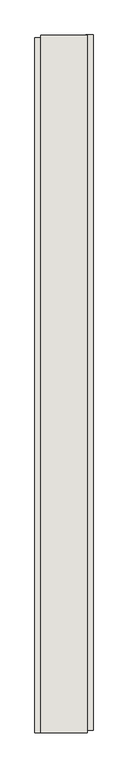
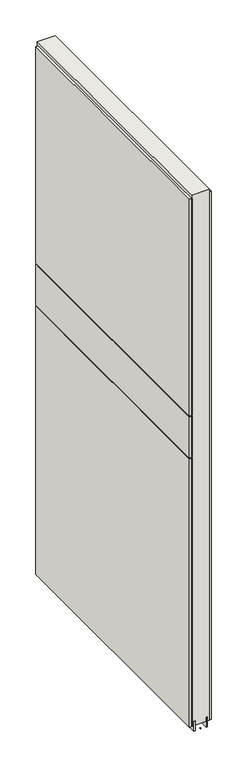
"""IFC4 building model written with IfcOpenShell, lengths in millimetres: wall geometry."""

from ifc_helpers import new_model, si_unit, frame, origin, place, context, project, spatial, polyline, outline, extrude, source, transform, mapped, element, save


def wall_2195c82f(model_context):
    return source(origin(), model_context, "Body", "SweptSolid", [
        extrude(outline(polyline([(54639.882211, -55781.7684718), (54639.882211, -55784.3084718), (54637.342211, -55784.3084718), (54637.342211, -55781.7684718), (54639.882211, -55781.7684718)])), frame((0.0, 0.0, 4419.6), z_axis=(0.0, 0.0, 1.0), x_axis=(1.0, 0.0, 0.0)), (0.0, 0.0, 1.0), 2.54),
        extrude(outline(polyline([(54587.812211, -55784.77159), (54587.812211, -54569.571582), (54600.512211, -54569.571582), (54600.512211, -55784.77159), (54587.812211, -55784.77159)])), frame((0.0, 0.0, 5945.599869), z_axis=(0.0, 0.0, 1.0), x_axis=(1.0, 0.0, 0.0)), (0.0, 0.0, 1.0), 1044.449905),
        extrude(outline(polyline([(54587.812211, -55784.77159), (54587.812211, -54569.571582), (54600.512211, -54569.571582), (54600.512211, -55784.77159), (54587.812211, -55784.77159)])), frame((0.0, 0.0, 5742.3999706), z_axis=(0.0, 0.0, 1.0), x_axis=(1.0, 0.0, 0.0)), (0.0, 0.0, 1.0), 199.2000512),
        extrude(outline(polyline([(54587.812211, -55784.77159), (54587.812211, -54569.571582), (54600.512211, -54569.571582), (54600.512211, -55784.77159), (54587.812211, -55784.77159)])), frame((0.0, 0.0, 4445.0), z_axis=(0.0, 0.0, 1.0), x_axis=(1.0, 0.0, 0.0)), (0.0, 0.0, 1.0), 1293.400004),
        extrude(outline(polyline([(54689.412211, -54564.6478428), (54689.412211, -55779.8478508), (54676.712211, -55779.8478508), (54676.712211, -54564.6478428), (54689.412211, -54564.6478428)])), frame((0.0, 0.0, 4445.0), z_axis=(0.0, 0.0, 1.0), x_axis=(1.0, 0.0, 0.0)), (0.0, 0.0, 1.0), 2545.0498756),
        extrude(outline(polyline([(54613.5284664, -54565.115914), (54613.5284664, -55784.315914), (54608.449711, -55784.315914), (54608.449711, -54565.115914), (54613.5284664, -54565.115914)])), frame((0.0, 0.0, 4418.6602), z_axis=(0.0, 0.0, 1.0), x_axis=(1.0, 0.0, 0.0)), (0.0, 0.0, 1.0), 47.625),
        extrude(outline(polyline([(54613.5284664, -54565.115914), (54613.5284664, -55784.315914), (54608.449711, -55784.315914), (54608.449711, -54565.115914), (54613.5284664, -54565.115914)])), frame((0.0, 0.0, 4418.6602), z_axis=(0.0, 0.0, 1.0), x_axis=(1.0, 0.0, 0.0)), (0.0, 0.0, 1.0), 47.625),
        extrude(outline(polyline([(54663.6959556, -55784.315914), (54663.6959556, -54565.115914), (54668.774711, -54565.115914), (54668.774711, -55784.315914), (54663.6959556, -55784.315914)])), frame((0.0, 0.0, 4418.6602), z_axis=(0.0, 0.0, 1.0), x_axis=(1.0, 0.0, 0.0)), (0.0, 0.0, 1.0), 47.625),
        extrude(outline(polyline([(54663.6959556, -55784.315914), (54663.6959556, -54565.115914), (54668.774711, -54565.115914), (54668.774711, -55784.315914), (54663.6959556, -55784.315914)])), frame((0.0, 0.0, 4418.6602), z_axis=(0.0, 0.0, 1.0), x_axis=(1.0, 0.0, 0.0)), (0.0, 0.0, 1.0), 47.625),
        extrude(outline(polyline([(54597.9573266, -54565.115914), (54679.2670954, -54565.115914), (54679.2670954, -55784.315914), (54597.9573266, -55784.315914), (54597.9573266, -54565.115914)])), frame((0.0, 0.0, 4445.0), z_axis=(0.0, 0.0, 1.0), x_axis=(1.0, 0.0, 0.0)), (0.0, 0.0, 1.0), 2562.4536762),
    ])


if __name__ == "__main__":
    model = new_model("IFC4")
    model_context = context("Model", 3, world=origin())
    ifc_project = project(units=[si_unit("LENGTHUNIT", "METRE", prefix="MILLI")], contexts=[model_context])
    site = spatial("IfcSite", under=ifc_project)
    building = spatial("IfcBuilding", under=site)
    placement = place(None, origin())
    wall_shape = wall_2195c82f(model_context)
    element("IfcWall", 1, at=placement, inside=building, context=model_context, shape_type="MappedRepresentation", body=[
        mapped(wall_shape, transform((0.0, 0.0, 0.0), x_axis=(1.0, 0.0, 0.0), y_axis=(0.0, 1.0, 0.0), z_axis=(0.0, 0.0, 1.0))),
    ])
    save(model, "model.ifc")
